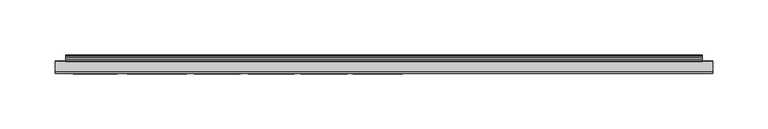
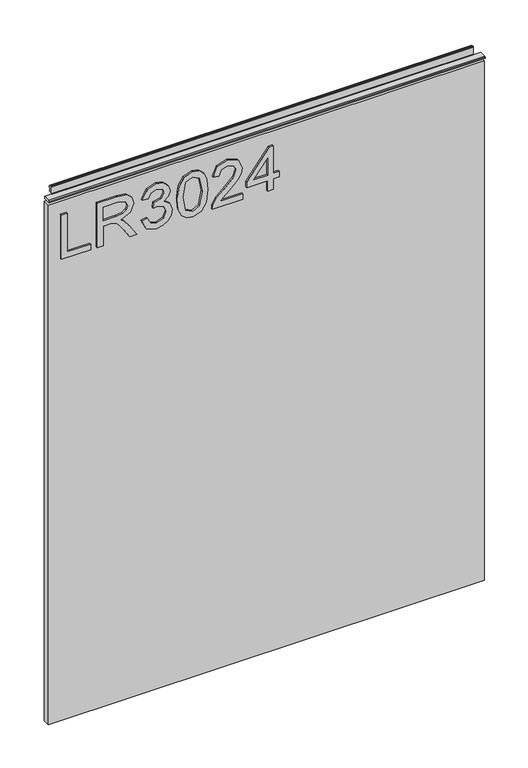
"""IFC4 building model written with IfcOpenShell, lengths in millimetres: furniture geometry."""

from ifc_helpers import new_model, si_unit, frame, origin, place, context, project, spatial, polyline, outline, extrude, source, transform, mapped, element, save


def furniture_c2c00e78(model_context):
    return source(origin(), model_context, "Body", "SweptSolid", [
        extrude(outline(polyline([(773.6078, -281.6939953), (773.6078, -241.8253972), (781.5815196, -241.8253972), (781.5815196, -273.7202757), (837.3975569, -273.7202757), (837.3975569, -281.6939953), (773.6078, -281.6939953)])), frame((0.0, -5.4626842, 0.0), z_axis=(0.0, 1.0, 0.0), x_axis=(0.0, 0.0, 1.0)), (0.0, 0.0, 1.0), 2.38125),
        extrude(outline(polyline([(773.6078, -232.8549627), (773.6078, -224.8812431), (801.5158187, -224.8812431), (801.5158187, -215.2567143), (801.2354926, -210.631334), (799.7170596, -206.8391451), (795.58225, -202.626467), (786.8298468, -196.6306036), (773.6078, -188.3298369), (773.6078, -179.0635026), (790.894575, -189.70032), (799.1018996, -196.1633935), (802.5125336, -200.6953318), (808.4461023, -187.3409088), (819.9394716, -183.0192151), (829.5873609, -185.627805), (835.6766663, -192.6048096), (837.3975569, -205.3674331), (837.3975569, -232.8549627), (773.6078, -232.8549627)]), holes=[polyline([(809.4895383, -224.8812431), (829.4238373, -224.8812431), (829.4238373, -205.0248124), (826.6672975, -194.3646345), (819.6435719, -190.9929347), (814.2317211, -192.7605464), (810.6186294, -197.9310052), (809.4895383, -207.0338159), (809.4895383, -224.8812431)])]), frame((0.0, -5.4626842, 0.0), z_axis=(0.0, 1.0, 0.0), x_axis=(0.0, 0.0, 1.0)), (0.0, 0.0, 1.0), 2.38125),
        extrude(outline(polyline([(790.5519542, -172.0553506), (777.6102335, -165.7168664), (772.611085, -151.7317098), (774.0750101, -143.2090182), (778.4667854, -136.2982017), (784.9610063, -131.7195424), (792.7322681, -130.1933226), (803.1043331, -133.2457621), (808.555118, -141.9358706), (813.8345925, -135.3949287), (821.1853653, -133.1834674), (829.2291664, -135.5117313), (835.2094562, -142.2395572), (837.3975569, -151.8562991), (832.9590607, -164.5332674), (820.4534028, -171.0586356), (819.4566878, -163.084916), (826.9320499, -159.1759246), (829.4238373, -151.5759731), (826.9554105, -144.0694636), (820.7181552, -141.1571871), (813.6788558, -145.1751942), (811.4829682, -155.5005382), (803.5092486, -156.3882374), (804.3813742, -150.7972895), (801.11869, -141.7334129), (792.8724312, -138.1670422), (784.120028, -141.7645602), (780.5848047, -151.4513837), (783.1544604, -159.6820689), (791.5486691, -164.081631), (790.5519542, -172.0553506)])), frame((0.0, -5.4626842, 0.0), z_axis=(0.0, 1.0, 0.0), x_axis=(0.0, 0.0, 1.0)), (0.0, 0.0, 1.0), 2.38125),
        extrude(outline(polyline([(804.9887473, -123.2163179), (789.4734775, -121.6278035), (778.6848168, -116.8622601), (774.129518, -110.570497), (772.611085, -102.2853039), (776.1073742, -90.6128374), (786.7130443, -83.6747669), (804.9887473, -81.3542899), (819.9784058, -82.8026413), (829.4160505, -86.5403224), (835.3418324, -92.9722486), (837.3975569, -102.2853039), (833.9246283, -113.9110494), (823.3423188, -120.8724804), (804.9887473, -123.2163179)]), holes=[polyline([(805.004321, -115.2425983), (825.1566514, -111.3803279), (829.4238373, -102.378746), (824.5804256, -92.9411012), (805.004321, -89.3280095), (785.2179718, -93.0656906), (780.5848047, -102.2853039), (785.2023982, -111.5049172), (805.004321, -115.2425983)])]), frame((0.0, -5.4626842, 0.0), z_axis=(0.0, 1.0, 0.0), x_axis=(0.0, 0.0, 1.0)), (0.0, 0.0, 1.0), 2.38125),
        extrude(outline(polyline([(781.5815196, -33.5119722), (781.5815196, -64.8306249), (785.6384609, -61.2331068), (793.308494, -52.0602145), (804.2334243, -40.6369268), (812.0514072, -35.9258912), (819.6124245, -34.5086872), (832.2893928, -39.7648012), (837.3975569, -54.0380708), (832.803324, -68.2646193), (819.4566878, -74.3772853), (818.4599729, -66.4035656), (826.5115608, -63.0474395), (829.4238373, -54.2093812), (826.4414793, -45.7295172), (819.1296407, -42.4824068), (810.0969115, -45.9241881), (796.81257, -59.6913134), (787.5695962, -69.6740366), (779.1053059, -74.5174483), (773.6078, -75.3740002), (773.6078, -33.5119722), (781.5815196, -33.5119722)])), frame((0.0, -5.4626842, 0.0), z_axis=(0.0, 1.0, 0.0), x_axis=(0.0, 0.0, 1.0)), (0.0, 0.0, 1.0), 2.38125),
        extrude(outline(polyline([(773.6078, 0.3763362), (773.6078, 8.3500558), (788.5585243, 8.3500558), (788.5585243, 16.3237754), (796.5322439, 16.3237754), (796.5322439, 8.3500558), (836.400842, 8.3500558), (836.400842, 2.3697661), (796.5322439, -28.5283975), (788.5585243, -28.5283975), (788.5585243, 0.3763362), (773.6078, 0.3763362)]), holes=[polyline([(796.5322439, 0.3763362), (796.5322439, -18.7169846), (821.1697916, 0.3763362), (796.5322439, 0.3763362)])]), frame((0.0, -5.4626842, 0.0), z_axis=(0.0, 1.0, 0.0), x_axis=(0.0, 0.0, 1.0)), (0.0, 0.0, 1.0), 2.38125),
        extrude(outline(polyline([(5.5562561, 863.6), (6.3500061, 863.6), (6.3500061, 873.47425), (7.1437561, 874.268), (8.6677569, 874.268), (10.0084363, 873.8506926), (10.875413, 872.7461816), (10.9623604, 871.3447591), (10.2390011, 868.3863459), (10.4046103, 867.1833307), (11.6746103, 864.9836103), (10.7786383, 864.4663244), (7.1437561, 864.4663244), (7.1437561, 863.6), (6.3500061, 863.3669239), (6.3500061, 856.1578), (5.5562561, 856.1578), (5.5562561, 863.6)])), frame((-288.671, 0.0, 0.0), z_axis=(1.0, 0.0, 0.0), x_axis=(0.0, 1.0, 0.0)), (0.0, 0.0, 1.0), 577.342),
        extrude(outline(polyline([(5.5562561, 863.6), (5.5562561, 860.4249996), (-3.975094, 860.4249996), (-5.3492339, 861.2183657), (-5.3492339, 862.8066395), (-3.9751037, 863.6), (5.5562561, 863.6)])), frame((-298.196, 0.0, 0.0), z_axis=(1.0, 0.0, 0.0), x_axis=(0.0, 1.0, 0.0)), (0.0, 0.0, 1.0), 596.392),
        extrude(outline(polyline([(298.196, 6.3500061), (298.196, -3.1749939), (-298.196, -3.1749939), (-298.196, 6.3500061), (298.196, 6.3500061)])), frame((0.0, 0.0, 104.69626), z_axis=(0.0, 0.0, 1.0), x_axis=(1.0, 0.0, 0.0)), (0.0, 0.0, 1.0), 751.46154),
    ])


if __name__ == "__main__":
    model = new_model("IFC4")
    model_context = context("Model", 3, world=origin())
    ifc_project = project(units=[si_unit("LENGTHUNIT", "METRE", prefix="MILLI")], contexts=[model_context])
    site = spatial("IfcSite", under=ifc_project)
    building = spatial("IfcBuilding", under=site)
    placement = place(None, origin())
    furniture_shape = furniture_c2c00e78(model_context)
    element("IfcFurniture", 1, at=placement, inside=building, context=model_context, shape_type="MappedRepresentation", body=[
        mapped(furniture_shape, transform((0.0, 0.0, 0.0), x_axis=(1.0, 0.0, 0.0), y_axis=(0.0, 1.0, 0.0), z_axis=(0.0, 0.0, 1.0))),
    ])
    save(model, "model.ifc")
